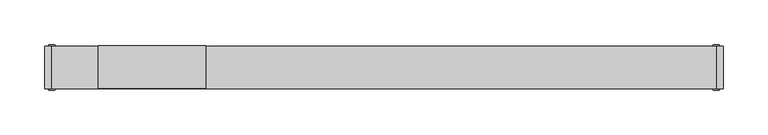
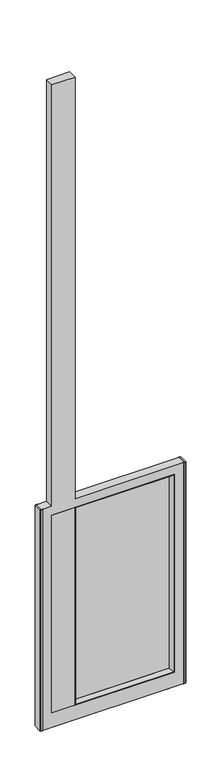
"""IFC4 building model written with IfcOpenShell, lengths in millimetres: furniture geometry."""

import ifcopenshell
import ifcopenshell.guid

model = None  # the IFC model being written
_history = None  # IfcOwnerHistory: only IFC2X3 demands one
_inside = {}  # id of a spatial element -> (the spatial element, [elements in it])
_under = {}  # id of a project, library or spatial element -> (it, [spatial elements below it])
_declared = {}  # id of a project -> (the project, [libraries it declares])
_typed = {}  # id of a type object -> (the type object, [elements of that type])
_made_of = {}  # id of a material, layer set ... -> (it, [elements and type objects made of it])


def new_model(schema):
    """Start an empty IFC model of exactly this schema.

    Asked for "IFC4X3", IfcOpenShell would pick the latest addendum, in which some entities
    have other attributes; the version numbers below select the first issue.
    IFC2X3 requires an IfcOwnerHistory on every rooted entity: one is made here for all.
    """
    global model, _history
    if schema == "IFC4X3":
        model = ifcopenshell.file(schema_version=(4, 3, 0, 0))
    else:
        model = ifcopenshell.file(schema=schema)
    _inside.clear()
    _under.clear()
    _declared.clear()
    _typed.clear()
    _made_of.clear()
    _history = None
    if model.schema == "IFC2X3":
        org = make("IfcOrganization", Name="unknown")
        user = make(
            "IfcPersonAndOrganization",
            ThePerson=make("IfcPerson", FamilyName="unknown"),
            TheOrganization=org,
        )
        app = make(
            "IfcApplication",
            ApplicationDeveloper=org,
            Version="unknown",
            ApplicationFullName="unknown",
            ApplicationIdentifier="unknown",
        )
        _history = make(
            "IfcOwnerHistory",
            OwningUser=user,
            OwningApplication=app,
            ChangeAction="ADDED",
            CreationDate=0,
        )
    return model


def make(cls, **values):
    """One entity of the class cls with the attributes given. An attribute that is None is left unset."""
    return model.create_entity(
        cls, **{name: value for name, value in values.items() if value is not None}
    )


def rooted(cls, **values):
    """An entity with a GlobalId (a new one), such as an element, a storey or a relation."""
    return make(cls, GlobalId=ifcopenshell.guid.new(), OwnerHistory=_history, **values)


def si_unit(unit_type, name, prefix=None):
    """IfcSIUnit, for example si_unit("LENGTHUNIT", "METRE", prefix="MILLI")."""
    return make("IfcSIUnit", UnitType=unit_type, Prefix=prefix, Name=name)


def assignment(units):
    """IfcUnitAssignment: the units of a project."""
    return None if units is None else make("IfcUnitAssignment", Units=units)


def point(xyz):
    """IfcCartesianPoint."""
    return None if xyz is None else make("IfcCartesianPoint", Coordinates=xyz)


def direction(xyz):
    """IfcDirection."""
    return None if xyz is None else make("IfcDirection", DirectionRatios=xyz)


def frame(location, z_axis=None, x_axis=None):
    """IfcAxis2Placement3D, a coordinate frame: its origin and axes. An axis left out is left unset."""
    return make(
        "IfcAxis2Placement3D",
        Location=point(location),
        Axis=direction(z_axis),
        RefDirection=direction(x_axis),
    )


def origin():
    """The frame at (0, 0, 0) with its axes left unset."""
    return frame((0.0, 0.0, 0.0))


def place(relative_to, where):
    """IfcLocalPlacement: puts the frame where relative to a parent placement (None: the world)."""
    return make(
        "IfcLocalPlacement", PlacementRelTo=relative_to, RelativePlacement=where
    )


def context(
    kind, dimensions, precision=None, world=None, true_north=None, identifier=None
):
    """IfcGeometricRepresentationContext, for example the 3D "Model" context."""
    return make(
        "IfcGeometricRepresentationContext",
        ContextIdentifier=identifier,
        ContextType=kind,
        CoordinateSpaceDimension=dimensions,
        Precision=precision,
        WorldCoordinateSystem=world,
        TrueNorth=true_north,
    )


def project(units=None, contexts=None):
    """IfcProject with its units and contexts."""
    return rooted(
        "IfcProject",
        Name="project",
        RepresentationContexts=contexts,
        UnitsInContext=assignment(units),
    )


def spatial(cls, under=None, at=None, **own):
    """A site, building, storey or space (cls), placed at a placement, below another one or the project."""
    s = rooted(cls, ObjectPlacement=at, **own)
    if under is not None:
        _under.setdefault(under.id(), (under, []))[1].append(s)
    return s


def polyline(points):
    """IfcPolyline through the points."""
    return make("IfcPolyline", Points=[point(p) for p in points])


def circle_curve(where, radius):
    """IfcCircle in the frame where."""
    return make("IfcCircle", Position=where, Radius=radius)


def outline(outer, holes=None, kind="AREA"):
    """IfcArbitraryClosedProfileDef: a profile drawn as a closed curve; with holes, ...WithVoids."""
    if holes is None:
        return make("IfcArbitraryClosedProfileDef", ProfileType=kind, OuterCurve=outer)
    return make(
        "IfcArbitraryProfileDefWithVoids",
        ProfileType=kind,
        OuterCurve=outer,
        InnerCurves=holes,
    )


def extrude(swept, where, along, depth):
    """IfcExtrudedAreaSolid: the profile swept, set in the frame where, extruded along a direction by depth."""
    return make(
        "IfcExtrudedAreaSolid",
        SweptArea=swept,
        Position=where,
        ExtrudedDirection=direction(along),
        Depth=depth,
    )


def faces_of(points, faces, orient=None, outer=None):
    """IfcFace entities. A face is a list of loops; a loop is a list of indices into points, from 0.

    orient and outer hold one flag for each loop. By default every Orientation is true, the
    first loop of a face is its IfcFaceOuterBound and the others are IfcFaceBound.
    """
    made = []
    for i, loops in enumerate(faces):
        bounds = []
        for j, loop in enumerate(loops):
            is_outer = j == 0 if outer is None else outer[i][j]
            bounds.append(
                make(
                    "IfcFaceOuterBound" if is_outer else "IfcFaceBound",
                    Bound=make("IfcPolyLoop", Polygon=[points[k] for k in loop]),
                    Orientation=True if orient is None else orient[i][j],
                )
            )
        made.append(make("IfcFace", Bounds=bounds))
    return made


def faceted_brep(points, faces, orient=None, outer=None, voids=None):
    """IfcFacetedBrep: a solid bounded by flat faces; with voids (closed shells), ...WithVoids."""
    shared = [point(p) for p in points]
    hull = make("IfcClosedShell", CfsFaces=faces_of(shared, faces, orient, outer))
    if voids is None:
        return make("IfcFacetedBrep", Outer=hull)
    return make(
        "IfcFacetedBrepWithVoids",
        Outer=hull,
        Voids=[
            make(cls, CfsFaces=faces_of(shared, fs, o, b)) for cls, fs, o, b in voids
        ],
    )


def shape(context_of_items, identifier, shape_type, items):
    """IfcShapeRepresentation: the items that make up one representation, for example the "Body"."""
    return make(
        "IfcShapeRepresentation",
        ContextOfItems=context_of_items,
        RepresentationIdentifier=identifier,
        RepresentationType=shape_type,
        Items=items,
    )


def source(mapping_origin, context_of_items, identifier, shape_type, items):
    """IfcRepresentationMap: a shape defined once, which mapped items show again and again."""
    return make(
        "IfcRepresentationMap",
        MappingOrigin=mapping_origin,
        MappedRepresentation=shape(context_of_items, identifier, shape_type, items),
    )


def transform(
    local_origin,
    x_axis=None,
    y_axis=None,
    z_axis=None,
    scale=None,
    scale2=None,
    scale3=None,
    uniform=True,
):
    """IfcCartesianTransformationOperator3D, or its non-uniform kind. x_axis, y_axis, z_axis: its Axis1, 2, 3."""
    if uniform:
        return make(
            "IfcCartesianTransformationOperator3D",
            Axis1=direction(x_axis),
            Axis2=direction(y_axis),
            LocalOrigin=point(local_origin),
            Scale=scale,
            Axis3=direction(z_axis),
        )
    return make(
        "IfcCartesianTransformationOperator3DnonUniform",
        Axis1=direction(x_axis),
        Axis2=direction(y_axis),
        LocalOrigin=point(local_origin),
        Scale=scale,
        Axis3=direction(z_axis),
        Scale2=scale2,
        Scale3=scale3,
    )


def mapped(mapping_source, mapping_target):
    """IfcMappedItem: shows the shape of a source again, moved by a transform."""
    return make(
        "IfcMappedItem", MappingSource=mapping_source, MappingTarget=mapping_target
    )


def made_of(thing, what):
    """Note that an element or type object is made of a material, layer set ...; save() writes the relation."""
    if what is not None:
        _made_of.setdefault(what.id(), (what, []))[1].append(thing)
    return thing


def element(
    cls,
    number,
    at=None,
    inside=None,
    cuts=None,
    type_object=None,
    material=None,
    context=None,
    identifier="Body",
    shape_type=None,
    held_by="IfcProductDefinitionShape",
    body=None,
    shapes=None,
    **own,
):
    """One element of the class cls, such as IfcWall. Its Tag is "e" and its number.

    at: its placement. inside: the storey or other place that contains it. cuts: it is an
    opening in that element (IfcRelVoidsElement). A single representation is given by context,
    identifier, shape_type and body (its items); several are given by shapes. held_by: the class
    of the entity that holds the representations. save() writes the other relations.
    """
    e = rooted(cls, Tag="e%d" % number, ObjectPlacement=at, **own)
    if body is not None:
        shapes = [shape(context, identifier, shape_type, body)]
    if shapes is not None:
        e.Representation = make(held_by, Representations=shapes)
    if inside is not None:
        _inside.setdefault(inside.id(), (inside, []))[1].append(e)
    if cuts is not None:
        rooted(
            "IfcRelVoidsElement", RelatingBuildingElement=cuts, RelatedOpeningElement=e
        )
    if type_object is not None:
        _typed.setdefault(type_object.id(), (type_object, []))[1].append(e)
    return made_of(e, material)


def aggregate(whole, parts):
    """IfcRelAggregates: a whole, such as a stair, and the parts it consists of."""
    return rooted("IfcRelAggregates", RelatingObject=whole, RelatedObjects=parts)


def save(model, path):
    """Write the relations noted so far, then the file.

    IfcRelAggregates (storeys below a building ...), IfcRelContainedInSpatialStructure (elements
    in a storey), IfcRelDefinesByType, IfcRelAssociatesMaterial and IfcRelDeclares: one each for
    every whole, place, type object, material and project.
    """
    for whole, parts in _under.values():
        aggregate(whole, parts)
    for where, things in _inside.values():
        rooted(
            "IfcRelContainedInSpatialStructure",
            RelatedElements=things,
            RelatingStructure=where,
        )
    for kind, things in _typed.values():
        rooted("IfcRelDefinesByType", RelatedObjects=things, RelatingType=kind)
    for what, things in _made_of.values():
        rooted("IfcRelAssociatesMaterial", RelatedObjects=things, RelatingMaterial=what)
    for by, libraries in _declared.values():
        rooted("IfcRelDeclares", RelatingContext=by, RelatedDefinitions=libraries)
    model.write(path)


def plane_surface(at):
    """IfcPlane: the flat surface through the origin of the frame at, square to its z axis."""
    return make("IfcPlane", Position=at)


def cylinder_surface(at, radius):
    """IfcCylindricalSurface: all points at the distance radius from the z axis of the frame at."""
    return make("IfcCylindricalSurface", Position=at, Radius=radius)


def advanced_brep(points, edges, surfaces, faces):
    """IfcAdvancedBrep: a solid bounded by faces that lie on surfaces and meet in shared edges.

    An edge is (start, end): straight between two places in points (the first is 0);
    or (start, end, curve); or (start, end, curve, False) where it runs against its curve.
    A face is (place in surfaces, loops), or (place, loops, False) where it looks against
    its surface's normal. A loop lists edges by number (the first is 1), with a minus sign
    where the edge is run from its end to its start. The first loop is the outer one.
    """
    corners = [point(p) for p in points]
    vertices = [make("IfcVertexPoint", VertexGeometry=c) for c in corners]
    made = []
    for start, end, *more in edges:
        made.append(
            make(
                "IfcEdgeCurve",
                EdgeStart=vertices[start],
                EdgeEnd=vertices[end],
                EdgeGeometry=more[0] if more else make("IfcPolyline", Points=[corners[start], corners[end]]),
                SameSense=more[1] if len(more) > 1 else True,
            )
        )
    hull = []
    for where, loops, *sense in faces:
        bounds = []
        for j, loop in enumerate(loops):
            ring = [make("IfcOrientedEdge", EdgeElement=made[abs(k) - 1], Orientation=k > 0) for k in loop]
            bounds.append(
                make(
                    "IfcFaceOuterBound" if j == 0 else "IfcFaceBound",
                    Bound=make("IfcEdgeLoop", EdgeList=ring),
                    Orientation=True,
                )
            )
        hull.append(make("IfcAdvancedFace", Bounds=bounds, FaceSurface=surfaces[where], SameSense=sense[0] if sense else True))
    return make("IfcAdvancedBrep", Outer=make("IfcClosedShell", CfsFaces=hull))


def furniture_58eb1e2b(model_context):
    return source(origin(), model_context, "Body", "SolidModel", [
        extrude(outline(polyline([(9.525, 385.7625121), (1228.725, 385.7625121), (1228.725, -187.3249909), (3556.0, -187.3249909), (3556.0, -307.9749985), (1228.725, -307.9749985), (1228.725, -360.3625002), (9.525, -360.3625002), (9.525, 385.7625121)]), holes=[polyline([(88.9000038, 333.3750121), (88.9000038, -307.9749985), (1181.1, -307.9749985), (1181.1, 333.3750121), (88.9000038, 333.3750121)])]), frame((0.0, -6.3500016, 0.0), z_axis=(0.0, 1.0, 0.0), x_axis=(0.0, 0.0, 1.0)), (0.0, 0.0, 1.0), 47.625),
        extrude(outline(polyline([(317.1443894, 20.6374992), (317.1443894, 14.2874985), (-171.0943955, 14.2874985), (-171.0943955, 20.6374992), (317.1443894, 20.6374992)])), frame((0.0, 0.0, 105.1305992), z_axis=(0.0, 0.0, 1.0), x_axis=(1.0, 0.0, 0.0)), (0.0, 0.0, 1.0), 1059.7387781),
        extrude(outline(polyline([(-307.9749985, 41.2749984), (-183.7690216, 41.2749984), (-183.7690216, -6.3500016), (-307.9749985, -6.3500016), (-307.9749985, 41.2749984)])), frame((0.0, 0.0, 88.9000038), z_axis=(0.0, 0.0, 1.0), x_axis=(1.0, 0.0, 0.0)), (0.0, 0.0, 1.0), 1092.1999962),
        faceted_brep([(333.3749849, -6.3500016, 88.9000038), (333.3749849, 41.2749984, 88.9000038), (333.3749849, 41.2749984, 1181.0999727), (333.3749849, -6.3500016, 1181.0999727), (317.1443894, 14.2874985, 105.1305992), (329.8189883, -6.3500016, 92.4560004), (329.8189883, -6.3500016, 1177.5439761), (317.1443894, 14.2874985, 1164.8693773), (317.1443894, 20.6374992, 105.1305992), (317.1443894, 20.6374992, 1164.8693773), (329.8189883, 41.2749984, 92.4560004), (329.8189883, 41.2749984, 1177.5439761), (-187.3249909, 41.2749984, 1181.0999727), (-187.3249909, -6.3500016, 1181.0999727), (-183.7689943, -6.3500016, 1177.5439761), (-171.0943955, 14.2874985, 1164.8693773), (-171.0943955, 20.6374992, 1164.8693773), (-183.7689943, 41.2749984, 1177.5439761), (-187.3249909, 41.2749984, 88.9000038), (-187.3249909, -6.3500016, 88.9000038), (-183.7689943, -6.3500016, 92.4560004), (-171.0943955, 14.2874985, 105.1305992), (-171.0943955, 20.6374992, 105.1305992), (-183.7689943, 41.2749984, 92.4560004)], [[[0, 1, 2, 3]], [[4, 5, 6, 7]], [[8, 4, 7, 9]], [[10, 8, 9, 11]], [[3, 2, 12, 13]], [[7, 6, 14, 15]], [[9, 7, 15, 16]], [[11, 9, 16, 17]], [[13, 12, 18, 19]], [[15, 14, 20, 21]], [[16, 15, 21, 22]], [[17, 16, 22, 23]], [[1, 18, 12, 2], [11, 17, 23, 10]], [[19, 18, 1, 0]], [[3, 13, 19, 0], [5, 20, 14, 6]], [[21, 20, 5, 4]], [[22, 21, 4, 8]], [[23, 22, 8, 10]]]),
        extrude(outline(polyline([(393.7, -6.3500016), (385.7625121, -6.3500016), (385.7625121, 41.2749984), (393.7, 41.2749984), (393.7, -6.3500016)])), frame((0.0, 0.0, 9.525), z_axis=(0.0, 0.0, 1.0), x_axis=(1.0, 0.0, 0.0)), (0.0, 0.0, 1.0), 1219.2),
        extrude(outline(polyline([(-360.3625002, -6.3500016), (-368.3, -6.3500016), (-368.3, 41.2749984), (-360.3625002, 41.2749984), (-360.3625002, -6.3500016)])), frame((0.0, 0.0, 9.525), z_axis=(0.0, 0.0, 1.0), x_axis=(1.0, 0.0, 0.0)), (0.0, 0.0, 1.0), 1219.2),
        advanced_brep(
        [(-282.6317916, 17.4624984, 0.0), (-269.9317916, 17.4624984, 0.0), (-295.3317916, 17.4624984, 0.0), (-288.9817916, 17.4624984, 9.525), (-276.2817916, 17.4624984, 9.525), (-282.6317916, 17.4624984, 9.525), (-288.9817916, 17.4624984, 4.7625), (-276.2817916, 17.4624984, 4.7625), (-295.3317916, 17.4624984, 4.7625), (-269.9317916, 17.4624984, 4.7625)],
        [
            (0, 1),
            (1, 2, circle_curve(frame((-282.6317916, 17.4624984, 0.0), z_axis=(0.0, 0.0, -1.0), x_axis=(1.0, 0.0, 0.0)), 12.7)),
            (2, 0),
            (2, 1, circle_curve(frame((-282.6317916, 17.4624984, 0.0), z_axis=(0.0, 0.0, -1.0), x_axis=(1.0, 0.0, 0.0)), 12.7)),
            (3, 4, circle_curve(frame((-282.6317916, 17.4624984, 9.525), z_axis=(0.0, 0.0, 1.0), x_axis=(1.0, 0.0, 0.0)), 6.35)),
            (4, 5),
            (5, 3),
            (4, 3, circle_curve(frame((-282.6317916, 17.4624984, 9.525), z_axis=(0.0, 0.0, 1.0), x_axis=(1.0, 0.0, 0.0)), 6.35)),
            (6, 7, circle_curve(frame((-282.6317916, 17.4624984, 4.7625), z_axis=(0.0, 0.0, 1.0), x_axis=(1.0, 0.0, 0.0)), 6.35)),
            (7, 4),
            (3, 6),
            (7, 6, circle_curve(frame((-282.6317916, 17.4624984, 4.7625), z_axis=(0.0, 0.0, 1.0), x_axis=(1.0, 0.0, 0.0)), 6.35)),
            (8, 9, circle_curve(frame((-282.6317916, 17.4624984, 4.7625), z_axis=(0.0, 0.0, 1.0), x_axis=(1.0, 0.0, 0.0)), 12.7)),
            (9, 7),
            (6, 8),
            (9, 8, circle_curve(frame((-282.6317916, 17.4624984, 4.7625), z_axis=(0.0, 0.0, 1.0), x_axis=(1.0, 0.0, 0.0)), 12.7)),
            (1, 9),
            (8, 2),
        ],
        [
            plane_surface(frame((-282.6317916, 17.4624984, 0.0), z_axis=(0.0, 0.0, -1.0), x_axis=(1.0, 0.0, 0.0))),
            plane_surface(frame((-282.6317916, 17.4624984, 9.525), z_axis=(0.0, 0.0, 1.0), x_axis=(1.0, 0.0, 0.0))),
            cylinder_surface(frame((-282.6317916, 17.4624984, 39.2700562), z_axis=(0.0, 0.0, -1.0), x_axis=(1.0, 0.0, 0.0)), 6.35),
            plane_surface(frame((-282.6317916, 17.4624984, 4.7625), z_axis=(0.0, 0.0, 1.0), x_axis=(1.0, 0.0, 0.0))),
            cylinder_surface(frame((-282.6317916, 17.4624984, 39.2700562), z_axis=(0.0, 0.0, -1.0), x_axis=(1.0, 0.0, 0.0)), 12.7),
        ],
        [
            (0, [[1, 2, 3]]),
            (0, [[-3, 4, -1]]),
            (1, [[5, 6, 7]]),
            (1, [[8, -7, -6]]),
            (2, [[9, 10, -5, 11]]),
            (2, [[12, -11, -8, -10]]),
            (3, [[13, 14, -9, 15]]),
            (3, [[16, -15, -12, -14]]),
            (4, [[-2, 17, -13, 18]]),
            (4, [[-4, -18, -16, -17]]),
        ],
    ),
        advanced_brep(
        [(295.3317916, 17.4624984, 0.0), (320.7317916, 17.4624984, 0.0), (320.7317916, 17.4624984, 4.7625), (295.3317916, 17.4624984, 4.7625), (308.0317916, 17.4624984, 0.0), (301.6817916, 17.4624984, 9.525), (314.3817916, 17.4624984, 9.525), (308.0317916, 17.4624984, 9.525), (301.6817916, 17.4624984, 4.7625), (314.3817916, 17.4624984, 4.7625)],
        [
            (0, 1, circle_curve(frame((308.0317916, 17.4624984, 0.0), z_axis=(0.0, 0.0, 1.0), x_axis=(1.0, 0.0, 0.0)), 12.7)),
            (1, 2),
            (2, 3, circle_curve(frame((308.0317916, 17.4624984, 4.7625), z_axis=(0.0, 0.0, -1.0), x_axis=(1.0, 0.0, 0.0)), 12.7)),
            (3, 0),
            (1, 0, circle_curve(frame((308.0317916, 17.4624984, 0.0), z_axis=(0.0, 0.0, 1.0), x_axis=(1.0, 0.0, 0.0)), 12.7)),
            (3, 2, circle_curve(frame((308.0317916, 17.4624984, 4.7625), z_axis=(0.0, 0.0, -1.0), x_axis=(1.0, 0.0, 0.0)), 12.7)),
            (4, 1),
            (0, 4),
            (5, 6, circle_curve(frame((308.0317916, 17.4624984, 9.525), z_axis=(0.0, 0.0, 1.0), x_axis=(1.0, 0.0, 0.0)), 6.35)),
            (6, 7),
            (7, 5),
            (6, 5, circle_curve(frame((308.0317916, 17.4624984, 9.525), z_axis=(0.0, 0.0, 1.0), x_axis=(1.0, 0.0, 0.0)), 6.35)),
            (8, 9, circle_curve(frame((308.0317916, 17.4624984, 4.7625), z_axis=(0.0, 0.0, 1.0), x_axis=(1.0, 0.0, 0.0)), 6.35)),
            (9, 6),
            (5, 8),
            (9, 8, circle_curve(frame((308.0317916, 17.4624984, 4.7625), z_axis=(0.0, 0.0, 1.0), x_axis=(1.0, 0.0, 0.0)), 6.35)),
            (2, 9),
            (8, 3),
        ],
        [
            cylinder_surface(frame((308.0317916, 17.4624984, 42.8555685), z_axis=(0.0, 0.0, -1.0), x_axis=(1.0, 0.0, 0.0)), 12.7),
            plane_surface(frame((308.0317916, 17.4624984, 0.0), z_axis=(0.0, 0.0, -1.0), x_axis=(1.0, 0.0, 0.0))),
            plane_surface(frame((308.0317916, 17.4624984, 9.525), z_axis=(0.0, 0.0, 1.0), x_axis=(1.0, 0.0, 0.0))),
            cylinder_surface(frame((308.0317916, 17.4624984, 42.8555685), z_axis=(0.0, 0.0, -1.0), x_axis=(1.0, 0.0, 0.0)), 6.35),
            plane_surface(frame((308.0317916, 17.4624984, 4.7625), z_axis=(0.0, 0.0, 1.0), x_axis=(1.0, 0.0, 0.0))),
        ],
        [
            (0, [[1, 2, 3, 4]]),
            (0, [[5, -4, 6, -2]]),
            (1, [[7, -1, 8]]),
            (1, [[-8, -5, -7]]),
            (2, [[9, 10, 11]]),
            (2, [[12, -11, -10]]),
            (3, [[13, 14, -9, 15]]),
            (3, [[16, -15, -12, -14]]),
            (4, [[-3, 17, -13, 18]]),
            (4, [[-6, -18, -16, -17]]),
        ],
    ),
        extrude(outline(polyline([(388.9375, 42.8624985), (388.9375, 41.2749984), (380.9999996, 41.2749984), (382.1226805, 42.8624985), (388.9375, 42.8624985)])), frame((0.0, 0.0, 9.525), z_axis=(0.0, 0.0, 1.0), x_axis=(1.0, 0.0, 0.0)), (0.0, 0.0, 1.0), 1219.2),
        extrude(outline(polyline([(388.9375, -7.937503), (382.1226815, -7.937503), (380.9999996, -6.3500016), (388.9375, -6.3500016), (388.9375, -7.937503)])), frame((0.0, 0.0, 9.525), z_axis=(0.0, 0.0, 1.0), x_axis=(1.0, 0.0, 0.0)), (0.0, 0.0, 1.0), 1219.2),
        extrude(outline(polyline([(-363.5375, 42.8624985), (-356.7226805, 42.8624985), (-355.5999996, 41.2749984), (-363.5375, 41.2749984), (-363.5375, 42.8624985)])), frame((0.0, 0.0, 9.525), z_axis=(0.0, 0.0, 1.0), x_axis=(1.0, 0.0, 0.0)), (0.0, 0.0, 1.0), 1219.2),
        extrude(outline(polyline([(-363.5375, -7.937503), (-363.5375, -6.3500016), (-355.5999996, -6.3500016), (-356.7226815, -7.937503), (-363.5375, -7.937503)])), frame((0.0, 0.0, 9.525), z_axis=(0.0, 0.0, 1.0), x_axis=(1.0, 0.0, 0.0)), (0.0, 0.0, 1.0), 1219.2),
    ])


if __name__ == "__main__":
    model = new_model("IFC4")
    model_context = context("Model", 3, world=origin())
    ifc_project = project(units=[si_unit("LENGTHUNIT", "METRE", prefix="MILLI")], contexts=[model_context])
    site = spatial("IfcSite", under=ifc_project)
    building = spatial("IfcBuilding", under=site)
    placement = place(None, origin())
    furniture_shape = furniture_58eb1e2b(model_context)
    element("IfcFurniture", 1, at=placement, inside=building, context=model_context, shape_type="MappedRepresentation", body=[
        mapped(furniture_shape, transform((0.0, 0.0, 0.0), x_axis=(1.0, 0.0, 0.0), y_axis=(0.0, 1.0, 0.0), z_axis=(0.0, 0.0, 1.0))),
    ])
    save(model, "model.ifc")
